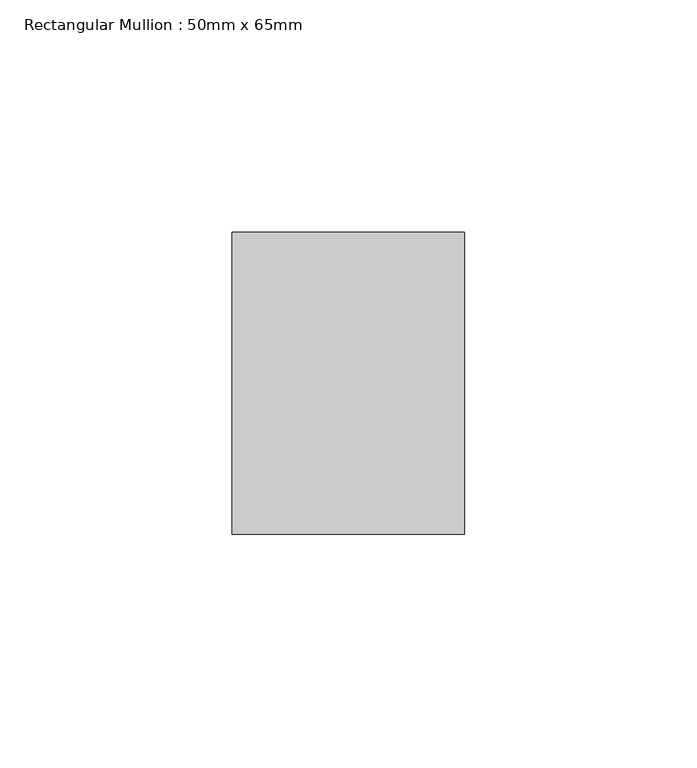
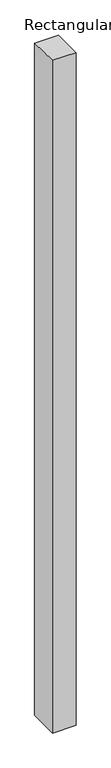
"""IFC4 building model written with IfcOpenShell, lengths in millimetres: member geometry, Rectangular Mullion : 50mm x 65mm."""

from ifc_helpers import new_model, si_unit, origin, place, context, project, spatial, faceted_brep, source, transform, mapped, element, save


def rectangular_mullion_50mm_x_65mm_04c3f9f6(model_context):
    return source(origin(), model_context, "Body", "Brep", [
        faceted_brep([(-25.0, 32.5, -0.3057238), (25.0, 32.5, -0.3057251), (25.0, 32.5, -1499.7975455), (-25.0, 32.5, -1499.7975463), (-25.0, -32.5, 0.3057251), (-25.0, -32.5, -1500.2030237), (25.0, -32.5, 0.3057238), (25.0, -32.5, -1500.2030228)], [[[0, 1, 2, 3]], [[4, 0, 3, 5]], [[6, 4, 5, 7]], [[1, 6, 7, 2]], [[1, 0, 4, 6]], [[2, 7, 5, 3]]]),
    ])


if __name__ == "__main__":
    model = new_model("IFC4")
    model_context = context("Model", 3, world=origin())
    ifc_project = project(units=[si_unit("LENGTHUNIT", "METRE", prefix="MILLI")], contexts=[model_context])
    site = spatial("IfcSite", under=ifc_project)
    building = spatial("IfcBuilding", under=site)
    placement = place(None, origin())
    rectangular_mullion_50mm_x_65mm_shape = rectangular_mullion_50mm_x_65mm_04c3f9f6(model_context)
    element("IfcMember", 1, ObjectType="Rectangular Mullion : 50mm x 65mm", at=placement, inside=building, context=model_context, shape_type="MappedRepresentation", body=[
        mapped(rectangular_mullion_50mm_x_65mm_shape, transform((0.0, 0.0, 0.0), x_axis=(1.0, 0.0, 0.0), y_axis=(0.0, 1.0, 0.0), z_axis=(0.0, 0.0, 1.0))),
    ])
    save(model, "model.ifc")
